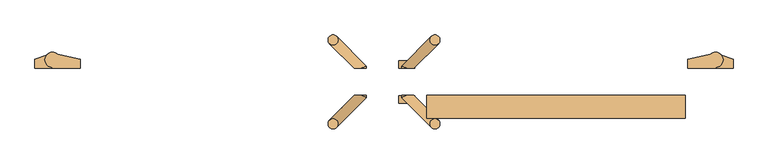
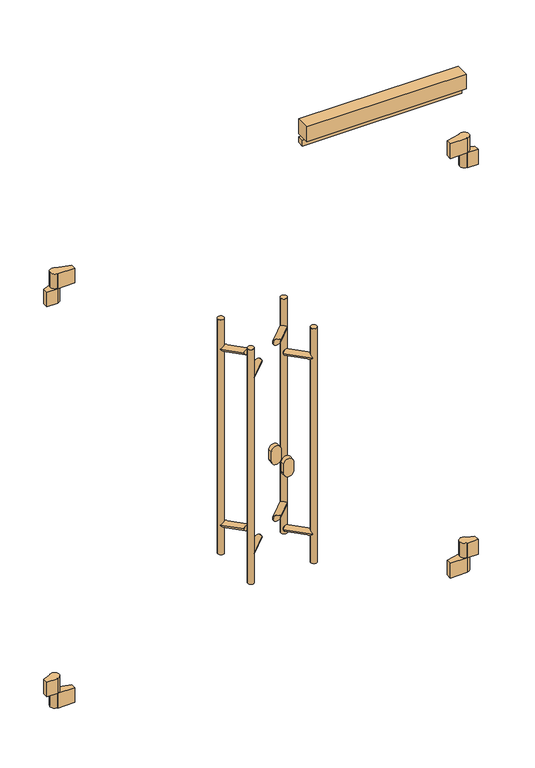
"""IFC4 building model written with IfcOpenShell, lengths in millimetres: door geometry."""

from ifc_helpers import new_model, si_unit, point, frame, frame_2d, origin, place, context, project, spatial, polyline, circle_curve, ellipse_curve, trimmed, segment, composite_curve, outline, extrude, source, transform, mapped, element, save
from ifc_brep_helpers import plane_surface, cylinder_surface, advanced_brep


def door_f901f832(model_context):
    return source(origin(), model_context, "Body", "SolidModel", [
        extrude(outline(polyline([(-614.5, -54.0), (-99.5, -54.0), (-99.5, -99.0), (-614.5, -99.0), (-614.5, -54.0)])), frame((0.0, 0.0, 2030.0), z_axis=(0.0, 0.0, 1.0), x_axis=(1.0, 0.0, 0.0)), (0.0, 0.0, 1.0), 50.0),
        extrude(outline(polyline([(-614.5, -54.0), (-99.5, -54.0), (-99.5, -74.0), (-614.5, -74.0), (-614.5, -54.0)])), frame((0.0, 0.0, 2000.0), z_axis=(0.0, 0.0, 1.0), x_axis=(1.0, 0.0, 0.0)), (0.0, 0.0, 1.0), 20.0),
        advanced_brep(
        [(-54.5, 17.0, 400.0), (-39.5, 2.0, 400.0), (-39.5, 0.0, 400.0), (-4.5, 0.0, 400.0), (-4.5, 18.0, 400.0), (-27.3866516, 25.846852, 400.0), (-94.5, 0.0, 300.0), (-94.5, 18.0, 300.0), (-50.0040029, 27.7082175, 300.0), (-24.5, 17.0, 300.0), (-39.5, 2.0, 300.0), (-39.5, 0.0, 300.0), (-24.5, 17.0, 350.0), (-39.5, 2.0, 350.0), (-54.5, 17.0, 350.0), (-39.5, 2.0, 350.0), (-50.0040029, 27.7082175, 350.0), (-27.3866516, 25.846852, 350.0), (-94.5, 0.0, 350.0), (-39.5, 0.0, 350.0), (-94.5, 18.0, 350.0), (-4.5, 18.0, 350.0), (-4.5, 0.0, 350.0)],
        [
            (0, 1, circle_curve(frame((-39.5, 17.0, 400.0), z_axis=(0.0, 0.0, 1.0), x_axis=(1.0, 0.0, 0.0)), 15.0)),
            (1, 2),
            (2, 3),
            (3, 4),
            (4, 5),
            (5, 0, circle_curve(frame((-39.5, 17.0, 400.0), z_axis=(0.0, 0.0, 1.0), x_axis=(1.0, 0.0, 0.0)), 15.0)),
            (6, 7),
            (7, 8),
            (8, 9, circle_curve(frame((-39.5, 17.0, 300.0), z_axis=(0.0, 0.0, -1.0), x_axis=(1.0, 0.0, 0.0)), 15.0)),
            (9, 10, circle_curve(frame((-39.5, 17.0, 300.0), z_axis=(0.0, 0.0, -1.0), x_axis=(1.0, 0.0, 0.0)), 15.0)),
            (10, 11),
            (11, 6),
            (9, 12),
            (12, 13, circle_curve(frame((-39.5, 17.0, 350.0), z_axis=(0.0, 0.0, -1.0), x_axis=(1.0, 0.0, 0.0)), 15.0)),
            (13, 10),
            (0, 14),
            (14, 15, circle_curve(frame((-39.5, 17.0, 350.0), z_axis=(0.0, 0.0, 1.0), x_axis=(1.0, 0.0, 0.0)), 15.0)),
            (15, 1),
            (8, 16),
            (16, 14, circle_curve(frame((-39.5, 17.0, 350.0), z_axis=(0.0, 0.0, 1.0), x_axis=(1.0, 0.0, 0.0)), 15.0)),
            (5, 17),
            (17, 12, circle_curve(frame((-39.5, 17.0, 350.0), z_axis=(0.0, 0.0, -1.0), x_axis=(1.0, 0.0, 0.0)), 15.0)),
            (18, 19),
            (19, 15),
            (16, 20),
            (20, 18),
            (18, 6),
            (11, 19),
            (13, 19),
            (7, 20),
            (21, 22),
            (22, 19),
            (17, 21),
            (19, 2),
            (22, 3),
            (21, 4),
        ],
        [
            plane_surface(frame((-24.5, 17.0, 400.0), z_axis=(0.0, 0.0, 1.0), x_axis=(0.0, 1.0, 0.0))),
            plane_surface(frame((-24.5, 17.0, 300.0), z_axis=(0.0, 0.0, -1.0), x_axis=(0.0, -1.0, 0.0))),
            cylinder_surface(frame((-39.5, 17.0, 300.0), z_axis=(0.0, 0.0, 1.0), x_axis=(1.0, 0.0, 0.0)), 15.0),
            plane_surface(frame((-39.5, 0.0, 350.0), z_axis=(0.0, 0.0, 1.0), x_axis=(1.0, 0.0, 0.0))),
            plane_surface(frame((-94.5, 0.0, 350.0), z_axis=(0.0, -1.0, 0.0), x_axis=(0.0, 0.0, -1.0))),
            plane_surface(frame((-39.5, 0.0, 350.0), z_axis=(1.0, 0.0, 0.0), x_axis=(0.0, 0.0, -1.0))),
            plane_surface(frame((-39.5, 30.0, 350.0), z_axis=(-0.2131670752167252, 0.9770157614099924, 0.0), x_axis=(0.0, 0.0, -1.0))),
            plane_surface(frame((-94.5, 18.0, 350.0), z_axis=(-1.0, 0.0, 0.0), x_axis=(0.0, 0.0, -1.0))),
            plane_surface(frame((-39.5, 0.0, 350.0), z_axis=(0.0, 0.0, -1.0), x_axis=(0.0, 1.0, 0.0))),
            plane_surface(frame((-39.5, 30.0, 400.0), z_axis=(-1.0, 0.0, 0.0), x_axis=(0.0, 0.0, -1.0))),
            plane_surface(frame((-39.5, 0.0, 400.0), z_axis=(0.0, -1.0, 0.0), x_axis=(0.0, 0.0, -1.0))),
            plane_surface(frame((-4.5, 0.0, 400.0), z_axis=(1.0, 0.0, 0.0), x_axis=(0.0, 0.0, -1.0))),
            plane_surface(frame((-4.5, 18.0, 400.0), z_axis=(0.32432432432432456, 0.9459459459459459, 0.0), x_axis=(0.0, 0.0, -1.0))),
        ],
        [
            (0, [[1, 2, 3, 4, 5, 6]]),
            (1, [[7, 8, 9, 10, 11, 12]]),
            (2, [[-10, 13, 14, 15]]),
            (2, [[16, 17, 18, -1]]),
            (2, [[-9, 19, 20, -16, -6, 21, 22, -13]]),
            (3, [[23, 24, -17, -20, 25, 26]]),
            (4, [[-23, 27, -12, 28]]),
            (5, [[-28, -11, -15, 29]]),
            (6, [[30, -25, -19, -8]]),
            (7, [[-26, -30, -7, -27]]),
            (8, [[31, 32, -29, -14, -22, 33]]),
            (9, [[34, -2, -18, -24]]),
            (10, [[-3, -34, -32, 35]]),
            (11, [[-4, -35, -31, 36]]),
            (12, [[-36, -33, -21, -5]]),
        ],
    ),
        advanced_brep(
        [(-1360.5, 2.0, 400.0), (-1345.5, 17.0, 400.0), (-1372.6133484, 25.846852, 400.0), (-1395.5, 18.0, 400.0), (-1395.5, 0.0, 400.0), (-1360.5, 0.0, 400.0), (-1305.5, 0.0, 300.0), (-1360.5, 0.0, 300.0), (-1360.5, 2.0, 300.0), (-1375.5, 17.0, 300.0), (-1349.9959971, 27.7082175, 300.0), (-1305.5, 18.0, 300.0), (-1360.5, 2.0, 350.0), (-1375.5, 17.0, 350.0), (-1345.5, 17.0, 350.0), (-1360.5, 2.0, 350.0), (-1372.6133484, 25.846852, 350.0), (-1349.9959971, 27.7082175, 350.0), (-1305.5, 0.0, 350.0), (-1305.5, 18.0, 350.0), (-1360.5, 0.0, 350.0), (-1395.5, 0.0, 350.0), (-1395.5, 18.0, 350.0)],
        [
            (0, 1, circle_curve(frame((-1360.5, 17.0, 400.0), z_axis=(0.0, 0.0, 1.0), x_axis=(1.0, 0.0, 0.0)), 15.0)),
            (1, 2, circle_curve(frame((-1360.5, 17.0, 400.0), z_axis=(0.0, 0.0, 1.0), x_axis=(1.0, 0.0, 0.0)), 15.0)),
            (2, 3),
            (3, 4),
            (4, 5),
            (5, 0),
            (6, 7),
            (7, 8),
            (8, 9, circle_curve(frame((-1360.5, 17.0, 300.0), z_axis=(0.0, 0.0, -1.0), x_axis=(1.0, 0.0, 0.0)), 15.0)),
            (9, 10, circle_curve(frame((-1360.5, 17.0, 300.0), z_axis=(0.0, 0.0, -1.0), x_axis=(1.0, 0.0, 0.0)), 15.0)),
            (10, 11),
            (11, 6),
            (8, 12),
            (12, 13, circle_curve(frame((-1360.5, 17.0, 350.0), z_axis=(0.0, 0.0, -1.0), x_axis=(1.0, 0.0, 0.0)), 15.0)),
            (13, 9),
            (14, 1),
            (0, 15),
            (15, 14, circle_curve(frame((-1360.5, 17.0, 350.0), z_axis=(0.0, 0.0, 1.0), x_axis=(1.0, 0.0, 0.0)), 15.0)),
            (13, 16, circle_curve(frame((-1360.5, 17.0, 350.0), z_axis=(0.0, 0.0, -1.0), x_axis=(1.0, 0.0, 0.0)), 15.0)),
            (16, 2),
            (14, 17, circle_curve(frame((-1360.5, 17.0, 350.0), z_axis=(0.0, 0.0, 1.0), x_axis=(1.0, 0.0, 0.0)), 15.0)),
            (17, 10),
            (18, 19),
            (19, 17),
            (15, 20),
            (20, 18),
            (18, 6),
            (11, 19),
            (7, 20),
            (20, 12),
            (21, 22),
            (22, 16),
            (20, 21),
            (4, 21),
            (20, 5),
            (22, 3),
        ],
        [
            plane_surface(frame((-24.5, 17.0, 400.0), z_axis=(0.0, 0.0, 1.0), x_axis=(0.0, 1.0, 0.0))),
            plane_surface(frame((-24.5, 17.0, 300.0), z_axis=(0.0, 0.0, -1.0), x_axis=(0.0, -1.0, 0.0))),
            cylinder_surface(frame((-1360.5, 17.0, 0.0), z_axis=(0.0, 0.0, 1.0), x_axis=(1.0, 0.0, 0.0)), 15.0),
            plane_surface(frame((-39.5, 0.0, 350.0), z_axis=(0.0, 0.0, 1.0), x_axis=(1.0, 0.0, 0.0))),
            plane_surface(frame((-1305.5, 0.0, 350.0), z_axis=(1.0, 0.0, 0.0), x_axis=(0.0, 0.0, -1.0))),
            plane_surface(frame((-1305.5, 18.0, 350.0), z_axis=(0.2131670752167247, 0.9770157614099925, 0.0), x_axis=(0.0, 0.0, -1.0))),
            plane_surface(frame((-1360.5, 30.0, 350.0), z_axis=(-1.0, 0.0, 0.0), x_axis=(0.0, 0.0, -1.0))),
            plane_surface(frame((-1360.5, 0.0, 350.0), z_axis=(0.0, -1.0, 0.0), x_axis=(0.0, 0.0, -1.0))),
            plane_surface(frame((-39.5, 0.0, 350.0), z_axis=(0.0, 0.0, -1.0), x_axis=(0.0, 1.0, 0.0))),
            plane_surface(frame((-1395.5, 0.0, 400.0), z_axis=(0.0, -1.0, 0.0), x_axis=(0.0, 0.0, -1.0))),
            plane_surface(frame((-1360.5, 0.0, 400.0), z_axis=(1.0, 0.0, 0.0), x_axis=(0.0, 0.0, -1.0))),
            plane_surface(frame((-1360.5, 30.0, 400.0), z_axis=(-0.3243243243243253, 0.9459459459459457, 0.0), x_axis=(0.0, 0.0, -1.0))),
            plane_surface(frame((-1395.5, 18.0, 400.0), z_axis=(-1.0, 0.0, 0.0), x_axis=(0.0, 0.0, -1.0))),
        ],
        [
            (0, [[1, 2, 3, 4, 5, 6]]),
            (1, [[7, 8, 9, 10, 11, 12]]),
            (2, [[-9, 13, 14, 15]]),
            (2, [[16, -1, 17, 18]]),
            (2, [[-10, -15, 19, 20, -2, -16, 21, 22]]),
            (3, [[23, 24, -21, -18, 25, 26]]),
            (4, [[-23, 27, -12, 28]]),
            (5, [[-28, -11, -22, -24]]),
            (6, [[29, 30, -13, -8]]),
            (7, [[-26, -29, -7, -27]]),
            (8, [[31, 32, -19, -14, -30, 33]]),
            (9, [[-5, 34, -33, 35]]),
            (10, [[-35, -25, -17, -6]]),
            (11, [[36, -3, -20, -32]]),
            (12, [[-4, -36, -31, -34]]),
        ],
    ),
        advanced_brep(
        [(-94.5, 0.0, 1780.0), (-39.5, 0.0, 1780.0), (-39.5, 2.0, 1780.0), (-24.5, 17.0, 1780.0), (-50.0040029, 27.7082175, 1780.0), (-94.5, 18.0, 1780.0), (-54.5, 17.0, 1680.0), (-27.3866516, 25.846852, 1680.0), (-4.5, 18.0, 1680.0), (-4.5, 0.0, 1680.0), (-39.5, 0.0, 1680.0), (-39.5, 2.0, 1680.0), (-39.5, 2.0, 1730.0), (-24.5, 17.0, 1730.0), (-54.5, 17.0, 1730.0), (-39.5, 2.0, 1730.0), (-27.3866516, 25.846852, 1730.0), (-50.0040029, 27.7082175, 1730.0), (-94.5, 0.0, 1730.0), (-94.5, 18.0, 1730.0), (-39.5, 0.0, 1730.0), (-4.5, 0.0, 1730.0), (-4.5, 18.0, 1730.0)],
        [
            (0, 1),
            (1, 2),
            (2, 3, circle_curve(frame((-39.5, 17.0, 1780.0), z_axis=(0.0, 0.0, 1.0), x_axis=(1.0, 0.0, 0.0)), 15.0)),
            (3, 4, circle_curve(frame((-39.5, 17.0, 1780.0), z_axis=(0.0, 0.0, 1.0), x_axis=(1.0, 0.0, 0.0)), 15.0)),
            (4, 5),
            (5, 0),
            (6, 7, circle_curve(frame((-39.5, 17.0, 1680.0), z_axis=(0.0, 0.0, -1.0), x_axis=(1.0, 0.0, 0.0)), 15.0)),
            (7, 8),
            (8, 9),
            (9, 10),
            (10, 11),
            (11, 6, circle_curve(frame((-39.5, 17.0, 1680.0), z_axis=(0.0, 0.0, -1.0), x_axis=(1.0, 0.0, 0.0)), 15.0)),
            (2, 12),
            (12, 13, circle_curve(frame((-39.5, 17.0, 1730.0), z_axis=(0.0, 0.0, 1.0), x_axis=(1.0, 0.0, 0.0)), 15.0)),
            (13, 3),
            (14, 6),
            (11, 15),
            (15, 14, circle_curve(frame((-39.5, 17.0, 1730.0), z_axis=(0.0, 0.0, -1.0), x_axis=(1.0, 0.0, 0.0)), 15.0)),
            (13, 16, circle_curve(frame((-39.5, 17.0, 1730.0), z_axis=(0.0, 0.0, 1.0), x_axis=(1.0, 0.0, 0.0)), 15.0)),
            (16, 7),
            (14, 17, circle_curve(frame((-39.5, 17.0, 1730.0), z_axis=(0.0, 0.0, -1.0), x_axis=(1.0, 0.0, 0.0)), 15.0)),
            (17, 4),
            (18, 19),
            (19, 17),
            (15, 20),
            (20, 18),
            (20, 1),
            (0, 18),
            (20, 12),
            (19, 5),
            (20, 21),
            (21, 22),
            (22, 16),
            (10, 20),
            (9, 21),
            (8, 22),
        ],
        [
            plane_surface(frame((-24.5, 17.0, 1780.0), z_axis=(0.0, 0.0, 1.0), x_axis=(0.0, 1.0, 0.0))),
            plane_surface(frame((-24.5, 17.0, 1680.0), z_axis=(0.0, 0.0, -1.0), x_axis=(0.0, -1.0, 0.0))),
            cylinder_surface(frame((-39.5, 17.0, 1680.0), z_axis=(0.0, 0.0, 1.0), x_axis=(1.0, 0.0, 0.0)), 15.0),
            plane_surface(frame((-39.5, 0.0, 1730.0), z_axis=(0.0, 0.0, -1.0), x_axis=(-1.0, 0.0, 0.0))),
            plane_surface(frame((-94.5, 0.0, 1780.0), z_axis=(0.0, -1.0, 0.0), x_axis=(0.0, 0.0, -1.0))),
            plane_surface(frame((-39.5, 0.0, 1780.0), z_axis=(1.0, 0.0, 0.0), x_axis=(0.0, 0.0, -1.0))),
            plane_surface(frame((-39.5, 30.0, 1780.0), z_axis=(-0.2131670752167252, 0.9770157614099924, 0.0), x_axis=(0.0, 0.0, -1.0))),
            plane_surface(frame((-94.5, 18.0, 1780.0), z_axis=(-1.0, 0.0, 0.0), x_axis=(0.0, 0.0, -1.0))),
            plane_surface(frame((-39.5, 0.0, 1730.0), z_axis=(0.0, 0.0, 1.0), x_axis=(0.0, -1.0, 0.0))),
            plane_surface(frame((-39.5, 30.0, 1730.0), z_axis=(-1.0, 0.0, 0.0), x_axis=(0.0, 0.0, -1.0))),
            plane_surface(frame((-39.5, 0.0, 1730.0), z_axis=(0.0, -1.0, 0.0), x_axis=(0.0, 0.0, -1.0))),
            plane_surface(frame((-4.5, 0.0, 1730.0), z_axis=(1.0, 0.0, 0.0), x_axis=(0.0, 0.0, -1.0))),
            plane_surface(frame((-4.5, 18.0, 1730.0), z_axis=(0.3243243243243246, 0.9459459459459459, 0.0), x_axis=(0.0, 0.0, -1.0))),
        ],
        [
            (0, [[1, 2, 3, 4, 5, 6]]),
            (1, [[7, 8, 9, 10, 11, 12]]),
            (2, [[-3, 13, 14, 15]]),
            (2, [[16, -12, 17, 18]]),
            (2, [[-4, -15, 19, 20, -7, -16, 21, 22]]),
            (3, [[23, 24, -21, -18, 25, 26]]),
            (4, [[-26, 27, -1, 28]]),
            (5, [[-27, 29, -13, -2]]),
            (6, [[30, -5, -22, -24]]),
            (7, [[-23, -28, -6, -30]]),
            (8, [[31, 32, 33, -19, -14, -29]]),
            (9, [[34, -25, -17, -11]]),
            (10, [[-10, 35, -31, -34]]),
            (11, [[-9, 36, -32, -35]]),
            (12, [[-36, -8, -20, -33]]),
        ],
    ),
        advanced_brep(
        [(-1305.5, 0.0, 1780.0), (-1305.5, 18.0, 1780.0), (-1349.9959971, 27.7082175, 1780.0), (-1375.5, 17.0, 1780.0), (-1360.5, 2.0, 1780.0), (-1360.5, 0.0, 1780.0), (-1372.6133484, 25.846852, 1680.0), (-1345.5, 17.0, 1680.0), (-1360.5, 2.0, 1680.0), (-1360.5, 0.0, 1680.0), (-1395.5, 0.0, 1680.0), (-1395.5, 18.0, 1680.0), (-1375.5, 17.0, 1730.0), (-1360.5, 2.0, 1730.0), (-1345.5, 17.0, 1730.0), (-1360.5, 2.0, 1730.0), (-1349.9959971, 27.7082175, 1730.0), (-1372.6133484, 25.846852, 1730.0), (-1305.5, 0.0, 1730.0), (-1360.5, 0.0, 1730.0), (-1305.5, 18.0, 1730.0), (-1395.5, 0.0, 1730.0), (-1395.5, 18.0, 1730.0)],
        [
            (0, 1),
            (1, 2),
            (2, 3, circle_curve(frame((-1360.5, 17.0, 1780.0), z_axis=(0.0, 0.0, 1.0), x_axis=(1.0, 0.0, 0.0)), 15.0)),
            (3, 4, circle_curve(frame((-1360.5, 17.0, 1780.0), z_axis=(0.0, 0.0, 1.0), x_axis=(1.0, 0.0, 0.0)), 15.0)),
            (4, 5),
            (5, 0),
            (6, 7, circle_curve(frame((-1360.5, 17.0, 1680.0), z_axis=(0.0, 0.0, -1.0), x_axis=(1.0, 0.0, 0.0)), 15.0)),
            (7, 8, circle_curve(frame((-1360.5, 17.0, 1680.0), z_axis=(0.0, 0.0, -1.0), x_axis=(1.0, 0.0, 0.0)), 15.0)),
            (8, 9),
            (9, 10),
            (10, 11),
            (11, 6),
            (3, 12),
            (12, 13, circle_curve(frame((-1360.5, 17.0, 1730.0), z_axis=(0.0, 0.0, 1.0), x_axis=(1.0, 0.0, 0.0)), 15.0)),
            (13, 4),
            (7, 14),
            (14, 15, circle_curve(frame((-1360.5, 17.0, 1730.0), z_axis=(0.0, 0.0, -1.0), x_axis=(1.0, 0.0, 0.0)), 15.0)),
            (15, 8),
            (2, 16),
            (16, 14, circle_curve(frame((-1360.5, 17.0, 1730.0), z_axis=(0.0, 0.0, -1.0), x_axis=(1.0, 0.0, 0.0)), 15.0)),
            (6, 17),
            (17, 12, circle_curve(frame((-1360.5, 17.0, 1730.0), z_axis=(0.0, 0.0, 1.0), x_axis=(1.0, 0.0, 0.0)), 15.0)),
            (18, 19),
            (19, 15),
            (16, 20),
            (20, 18),
            (20, 1),
            (0, 18),
            (19, 5),
            (13, 19),
            (21, 19),
            (17, 22),
            (22, 21),
            (9, 19),
            (21, 10),
            (11, 22),
        ],
        [
            plane_surface(frame((-24.5, 17.0, 1780.0), z_axis=(0.0, 0.0, 1.0), x_axis=(0.0, 1.0, 0.0))),
            plane_surface(frame((-24.5, 17.0, 1680.0), z_axis=(0.0, 0.0, -1.0), x_axis=(0.0, -1.0, 0.0))),
            cylinder_surface(frame((-1360.5, 17.0, 0.0), z_axis=(0.0, 0.0, 1.0), x_axis=(1.0, 0.0, 0.0)), 15.0),
            plane_surface(frame((-39.5, 0.0, 1730.0), z_axis=(0.0, 0.0, -1.0), x_axis=(-1.0, 0.0, 0.0))),
            plane_surface(frame((-1305.5, 0.0, 1780.0), z_axis=(1.0, 0.0, 0.0), x_axis=(0.0, 0.0, -1.0))),
            plane_surface(frame((-1305.5, 18.0, 1780.0), z_axis=(0.21316707521672376, 0.9770157614099927, 0.0), x_axis=(0.0, 0.0, -1.0))),
            plane_surface(frame((-1360.5, 30.0, 1780.0), z_axis=(-1.0, 0.0, 0.0), x_axis=(0.0, 0.0, -1.0))),
            plane_surface(frame((-1360.5, 0.0, 1780.0), z_axis=(0.0, -1.0, 0.0), x_axis=(0.0, 0.0, -1.0))),
            plane_surface(frame((-39.5, 0.0, 1730.0), z_axis=(0.0, 0.0, 1.0), x_axis=(0.0, -1.0, 0.0))),
            plane_surface(frame((-1395.5, 0.0, 1730.0), z_axis=(0.0, -1.0, 0.0), x_axis=(0.0, 0.0, -1.0))),
            plane_surface(frame((-1360.5, 0.0, 1730.0), z_axis=(1.0, 0.0, 0.0), x_axis=(0.0, 0.0, -1.0))),
            plane_surface(frame((-1360.5, 30.0, 1730.0), z_axis=(-0.32432432432432734, 0.9459459459459449, 0.0), x_axis=(0.0, 0.0, -1.0))),
            plane_surface(frame((-1395.5, 18.0, 1730.0), z_axis=(-1.0, 0.0, 0.0), x_axis=(0.0, 0.0, -1.0))),
        ],
        [
            (0, [[1, 2, 3, 4, 5, 6]]),
            (1, [[7, 8, 9, 10, 11, 12]]),
            (2, [[-4, 13, 14, 15]]),
            (2, [[16, 17, 18, -8]]),
            (2, [[-3, 19, 20, -16, -7, 21, 22, -13]]),
            (3, [[23, 24, -17, -20, 25, 26]]),
            (4, [[-26, 27, -1, 28]]),
            (5, [[-27, -25, -19, -2]]),
            (6, [[29, -5, -15, 30]]),
            (7, [[-23, -28, -6, -29]]),
            (8, [[31, -30, -14, -22, 32, 33]]),
            (9, [[-10, 34, -31, 35]]),
            (10, [[-34, -9, -18, -24]]),
            (11, [[36, -32, -21, -12]]),
            (12, [[-11, -35, -33, -36]]),
        ],
    ),
        advanced_brep(
        [(-608.4314575, 56.5685425, 1400.0), (-588.4314575, 56.5685425, 1400.0), (-608.4314575, 56.5685425, 600.0), (-588.4314575, 56.5685425, 600.0), (-655.0, 0.0, 710.0), (-665.0, 0.0, 700.0), (-655.0, 0.0, 690.0), (-640.8578644, 0.0, 700.0), (-655.0, 0.0, 1310.0), (-665.0, 0.0, 1300.0), (-655.0, 0.0, 1290.0), (-640.8578644, 0.0, 1300.0), (-665.0, 4.1421356, 700.0), (-665.0, 4.1421356, 1300.0), (-605.5025253, 63.6396103, 700.0), (-591.3603897, 49.4974747, 700.0), (-608.4314575, 56.5685425, 707.0710678), (-608.4314575, 56.5685425, 692.9289322), (-605.5025253, 63.6396103, 1300.0), (-591.3603897, 49.4974747, 1300.0), (-608.4314575, 56.5685425, 1307.0710678), (-608.4314575, 56.5685425, 1292.9289322)],
        [
            (0, 1, circle_curve(frame((-598.4314575, 56.5685425, 1400.0), z_axis=(0.0, 0.0, 1.0), x_axis=(1.0, 0.0, 0.0)), 10.0)),
            (1, 0, circle_curve(frame((-598.4314575, 56.5685425, 1400.0), z_axis=(0.0, 0.0, 1.0), x_axis=(1.0, 0.0, 0.0)), 10.0)),
            (2, 3, circle_curve(frame((-598.4314575, 56.5685425, 600.0), z_axis=(0.0, 0.0, -1.0), x_axis=(1.0, 0.0, 0.0)), 10.0)),
            (3, 2, circle_curve(frame((-598.4314575, 56.5685425, 600.0), z_axis=(0.0, 0.0, -1.0), x_axis=(1.0, 0.0, 0.0)), 10.0)),
            (4, 5, circle_curve(frame((-655.0, 0.0, 700.0), z_axis=(0.0, -1.0, 0.0), x_axis=(-1.0, 0.0, 0.0)), 10.0)),
            (5, 6, circle_curve(frame((-655.0, 0.0, 700.0), z_axis=(0.0, -1.0, 0.0), x_axis=(-1.0, 0.0, 0.0)), 10.0)),
            (6, 7, ellipse_curve(frame((-655.0, 0.0, 700.0), z_axis=(0.0, -1.0, 0.0), x_axis=(-1.0, 0.0, 0.0)), 14.1421356, 10.0)),
            (7, 4, ellipse_curve(frame((-655.0, 0.0, 700.0), z_axis=(0.0, -1.0, 0.0), x_axis=(-1.0, 0.0, 0.0)), 14.1421356, 10.0)),
            (8, 9, circle_curve(frame((-655.0, 0.0, 1300.0), z_axis=(0.0, -1.0, 0.0), x_axis=(-1.0, 0.0, 0.0)), 10.0)),
            (9, 10, circle_curve(frame((-655.0, 0.0, 1300.0), z_axis=(0.0, -1.0, 0.0), x_axis=(-1.0, 0.0, 0.0)), 10.0)),
            (10, 11, ellipse_curve(frame((-655.0, 0.0, 1300.0), z_axis=(0.0, -1.0, 0.0), x_axis=(-1.0, 0.0, 0.0)), 14.1421356, 10.0)),
            (11, 8, ellipse_curve(frame((-655.0, 0.0, 1300.0), z_axis=(0.0, -1.0, 0.0), x_axis=(-1.0, 0.0, 0.0)), 14.1421356, 10.0)),
            (4, 12, ellipse_curve(frame((-655.0, 0.0, 700.0), z_axis=(-0.3826834323651389, -0.9238795325112662, 0.0), x_axis=(0.923879532511266, -0.3826834323651399, 0.0)), 10.823922, 10.0)),
            (12, 5),
            (12, 6, ellipse_curve(frame((-655.0, 0.0, 700.0), z_axis=(-0.3826834323651389, -0.9238795325112662, 0.0), x_axis=(0.923879532511266, -0.3826834323651399, 0.0)), 10.823922, 10.0)),
            (8, 13, ellipse_curve(frame((-655.0, 0.0, 1300.0), z_axis=(-0.3826834323651389, -0.9238795325112662, 0.0), x_axis=(0.923879532511266, -0.3826834323651399, 0.0)), 10.823922, 10.0)),
            (13, 9),
            (13, 10, ellipse_curve(frame((-655.0, 0.0, 1300.0), z_axis=(-0.3826834323651389, -0.9238795325112662, 0.0), x_axis=(0.923879532511266, -0.3826834323651399, 0.0)), 10.823922, 10.0)),
            (14, 12),
            (7, 15),
            (15, 16, ellipse_curve(frame((-598.4314575, 56.5685425, 700.0), z_axis=(-0.5000000000000511, -0.49999999999994676, -0.707106781186549), x_axis=(-0.5000000000000553, -0.4999999999999467, 0.707106781186546)), 14.1421356, 10.0)),
            (16, 14, ellipse_curve(frame((-598.4314575, 56.5685425, 700.0), z_axis=(-0.5000000000000511, -0.49999999999994676, -0.707106781186549), x_axis=(-0.5000000000000553, -0.4999999999999467, 0.707106781186546)), 14.1421356, 10.0)),
            (14, 17, ellipse_curve(frame((-598.4314575, 56.5685425, 700.0), z_axis=(-0.5000000000000554, -0.49999999999994676, 0.7071067811865459), x_axis=(-0.5000000000000511, -0.49999999999994676, -0.707106781186549)), 14.1421356, 10.0)),
            (17, 15, ellipse_curve(frame((-598.4314575, 56.5685425, 700.0), z_axis=(-0.5000000000000554, -0.49999999999994676, 0.7071067811865459), x_axis=(-0.5000000000000511, -0.49999999999994676, -0.707106781186549)), 14.1421356, 10.0)),
            (18, 13),
            (11, 19),
            (19, 20, ellipse_curve(frame((-598.4314575, 56.5685425, 1300.0), z_axis=(-0.5000000000000511, -0.49999999999994676, -0.707106781186549), x_axis=(-0.5000000000000553, -0.4999999999999467, 0.707106781186546)), 14.1421356, 10.0)),
            (20, 18, ellipse_curve(frame((-598.4314575, 56.5685425, 1300.0), z_axis=(-0.5000000000000511, -0.49999999999994676, -0.707106781186549), x_axis=(-0.5000000000000553, -0.4999999999999467, 0.707106781186546)), 14.1421356, 10.0)),
            (18, 21, ellipse_curve(frame((-598.4314575, 56.5685425, 1300.0), z_axis=(-0.5000000000000554, -0.49999999999994676, 0.7071067811865459), x_axis=(-0.5000000000000511, -0.49999999999994676, -0.707106781186549)), 14.1421356, 10.0)),
            (21, 19, ellipse_curve(frame((-598.4314575, 56.5685425, 1300.0), z_axis=(-0.5000000000000554, -0.49999999999994676, 0.7071067811865459), x_axis=(-0.5000000000000511, -0.49999999999994676, -0.707106781186549)), 14.1421356, 10.0)),
            (0, 20),
            (21, 16),
            (17, 2),
            (3, 1),
        ],
        [
            plane_surface(frame((-588.4314575, 56.5685425, 1400.0), z_axis=(0.0, 0.0, 1.0), x_axis=(0.0, 1.0, 0.0))),
            plane_surface(frame((-588.4314575, 56.5685425, 600.0), z_axis=(0.0, 0.0, -1.0), x_axis=(0.0, -1.0, 0.0))),
            plane_surface(frame((-795.0, 0.0, 600.0), z_axis=(0.0, -1.0, 0.0), x_axis=(0.0, 0.0, 1.0))),
            cylinder_surface(frame((-655.0, -54.0, 700.0), z_axis=(0.0, -1.0, 0.0), x_axis=(-1.0, 0.0, 0.0)), 10.0),
            cylinder_surface(frame((-655.0, -54.0, 1300.0), z_axis=(0.0, -1.0, 0.0), x_axis=(-1.0, 0.0, 0.0)), 10.0),
            cylinder_surface(frame((-655.0, 0.0, 700.0), z_axis=(-0.7071067811866228, -0.7071067811864723, 0.0), x_axis=(-0.7071067811864723, 0.7071067811866228, 0.0)), 10.0),
            cylinder_surface(frame((-655.0, 0.0, 1300.0), z_axis=(-0.7071067811866228, -0.7071067811864723, 0.0), x_axis=(-0.7071067811864723, 0.7071067811866228, 0.0)), 10.0),
            cylinder_surface(frame((-598.4314575, 56.5685425, 600.0), z_axis=(0.0, 0.0, 1.0), x_axis=(1.0, 0.0, 0.0)), 10.0),
        ],
        [
            (0, [[1, 2]]),
            (1, [[3, 4]]),
            (2, [[5, 6, 7, 8]]),
            (2, [[9, 10, 11, 12]]),
            (3, [[13, 14, -5]]),
            (3, [[-14, 15, -6]]),
            (4, [[16, 17, -9]]),
            (4, [[-17, 18, -10]]),
            (5, [[19, -13, -8, 20, 21, 22]]),
            (5, [[-19, 23, 24, -20, -7, -15]]),
            (6, [[25, -16, -12, 26, 27, 28]]),
            (6, [[-25, 29, 30, -26, -11, -18]]),
            (7, [[-1, 31, -27, -30, 32, -21, -24, 33, -4, 34]]),
            (7, [[-2, -34, -3, -33, -23, -22, -32, -29, -28, -31]]),
        ],
    ),
        advanced_brep(
        [(-608.4314575, -110.5685425, 1400.0), (-588.4314575, -110.5685425, 1400.0), (-608.4314575, -110.5685425, 600.0), (-588.4314575, -110.5685425, 600.0), (-655.0, -54.0, 710.0), (-640.8578644, -54.0, 700.0), (-655.0, -54.0, 690.0), (-665.0, -54.0, 700.0), (-655.0, -54.0, 1310.0), (-640.8578644, -54.0, 1300.0), (-655.0, -54.0, 1290.0), (-665.0, -54.0, 1300.0), (-665.0, -58.1421356, 700.0), (-605.5025253, -117.6396103, 700.0), (-608.4314575, -110.5685425, 707.0710678), (-591.3603897, -103.4974747, 700.0), (-608.4314575, -110.5685425, 692.9289322), (-665.0, -58.1421356, 1300.0), (-605.5025253, -117.6396103, 1300.0), (-608.4314575, -110.5685425, 1307.0710678), (-591.3603897, -103.4974747, 1300.0), (-608.4314575, -110.5685425, 1292.9289322)],
        [
            (0, 1, circle_curve(frame((-598.4314575, -110.5685425, 1400.0), z_axis=(0.0, 0.0, 1.0), x_axis=(1.0, 0.0, 0.0)), 10.0)),
            (1, 0, circle_curve(frame((-598.4314575, -110.5685425, 1400.0), z_axis=(0.0, 0.0, 1.0), x_axis=(1.0, 0.0, 0.0)), 10.0)),
            (2, 3, circle_curve(frame((-598.4314575, -110.5685425, 600.0), z_axis=(0.0, 0.0, -1.0), x_axis=(1.0, 0.0, 0.0)), 10.0)),
            (3, 2, circle_curve(frame((-598.4314575, -110.5685425, 600.0), z_axis=(0.0, 0.0, -1.0), x_axis=(1.0, 0.0, 0.0)), 10.0)),
            (4, 5, ellipse_curve(frame((-655.0, -54.0, 700.0), z_axis=(0.0, 1.0, 0.0), x_axis=(1.0, 0.0, 0.0)), 14.1421356, 10.0)),
            (5, 6, ellipse_curve(frame((-655.0, -54.0, 700.0), z_axis=(0.0, 1.0, 0.0), x_axis=(1.0, 0.0, 0.0)), 14.1421356, 10.0)),
            (6, 7, circle_curve(frame((-655.0, -54.0, 700.0), z_axis=(0.0, 1.0, 0.0), x_axis=(-1.0, 0.0, 0.0)), 10.0)),
            (7, 4, circle_curve(frame((-655.0, -54.0, 700.0), z_axis=(0.0, 1.0, 0.0), x_axis=(-1.0, 0.0, 0.0)), 10.0)),
            (8, 9, ellipse_curve(frame((-655.0, -54.0, 1300.0), z_axis=(0.0, 1.0, 0.0), x_axis=(1.0, 0.0, 0.0)), 14.1421356, 10.0)),
            (9, 10, ellipse_curve(frame((-655.0, -54.0, 1300.0), z_axis=(0.0, 1.0, 0.0), x_axis=(1.0, 0.0, 0.0)), 14.1421356, 10.0)),
            (10, 11, circle_curve(frame((-655.0, -54.0, 1300.0), z_axis=(0.0, 1.0, 0.0), x_axis=(-1.0, 0.0, 0.0)), 10.0)),
            (11, 8, circle_curve(frame((-655.0, -54.0, 1300.0), z_axis=(0.0, 1.0, 0.0), x_axis=(-1.0, 0.0, 0.0)), 10.0)),
            (12, 13),
            (13, 14, ellipse_curve(frame((-598.4314575, -110.5685425, 700.0), z_axis=(-0.5000000000000075, 0.4999999999999909, -0.7071067811865487), x_axis=(0.5000000000000113, -0.49999999999999023, -0.7071067811865465)), 14.1421356, 10.0)),
            (14, 15, ellipse_curve(frame((-598.4314575, -110.5685425, 700.0), z_axis=(-0.5000000000000075, 0.4999999999999909, -0.7071067811865487), x_axis=(0.5000000000000113, -0.49999999999999023, -0.7071067811865465)), 14.1421356, 10.0)),
            (15, 5),
            (4, 12, ellipse_curve(frame((-655.0, -54.0, 700.0), z_axis=(0.38268343236509844, -0.9238795325112832, 0.0), x_axis=(0.9238795325112831, 0.38268343236509844, 0.0)), 10.823922, 10.0)),
            (12, 6, ellipse_curve(frame((-655.0, -54.0, 700.0), z_axis=(0.38268343236509844, -0.9238795325112832, 0.0), x_axis=(0.9238795325112831, 0.38268343236509844, 0.0)), 10.823922, 10.0)),
            (15, 16, ellipse_curve(frame((-598.4314575, -110.5685425, 700.0), z_axis=(-0.5000000000000113, 0.49999999999999034, 0.7071067811865464), x_axis=(0.5000000000000074, -0.49999999999999073, 0.7071067811865487)), 14.1421356, 10.0)),
            (16, 13, ellipse_curve(frame((-598.4314575, -110.5685425, 700.0), z_axis=(-0.5000000000000113, 0.49999999999999034, 0.7071067811865464), x_axis=(0.5000000000000074, -0.49999999999999073, 0.7071067811865487)), 14.1421356, 10.0)),
            (17, 18),
            (18, 19, ellipse_curve(frame((-598.4314575, -110.5685425, 1300.0), z_axis=(-0.5000000000000075, 0.4999999999999909, -0.7071067811865487), x_axis=(0.5000000000000113, -0.49999999999999023, -0.7071067811865465)), 14.1421356, 10.0)),
            (19, 20, ellipse_curve(frame((-598.4314575, -110.5685425, 1300.0), z_axis=(-0.5000000000000075, 0.4999999999999909, -0.7071067811865487), x_axis=(0.5000000000000113, -0.49999999999999023, -0.7071067811865465)), 14.1421356, 10.0)),
            (20, 9),
            (8, 17, ellipse_curve(frame((-655.0, -54.0, 1300.0), z_axis=(0.38268343236509844, -0.9238795325112832, 0.0), x_axis=(0.9238795325112831, 0.38268343236509844, 0.0)), 10.823922, 10.0)),
            (17, 10, ellipse_curve(frame((-655.0, -54.0, 1300.0), z_axis=(0.38268343236509844, -0.9238795325112832, 0.0), x_axis=(0.9238795325112831, 0.38268343236509844, 0.0)), 10.823922, 10.0)),
            (20, 21, ellipse_curve(frame((-598.4314575, -110.5685425, 1300.0), z_axis=(-0.5000000000000113, 0.49999999999999034, 0.7071067811865464), x_axis=(0.5000000000000074, -0.49999999999999073, 0.7071067811865487)), 14.1421356, 10.0)),
            (21, 18, ellipse_curve(frame((-598.4314575, -110.5685425, 1300.0), z_axis=(-0.5000000000000113, 0.49999999999999034, 0.7071067811865464), x_axis=(0.5000000000000074, -0.49999999999999073, 0.7071067811865487)), 14.1421356, 10.0)),
            (7, 12),
            (11, 17),
            (0, 19),
            (21, 14),
            (16, 2),
            (3, 1),
        ],
        [
            plane_surface(frame((-588.4314575, 56.5685425, 1400.0), z_axis=(0.0, 0.0, 1.0), x_axis=(0.0, 1.0, 0.0))),
            plane_surface(frame((-588.4314575, 56.5685425, 600.0), z_axis=(0.0, 0.0, -1.0), x_axis=(0.0, -1.0, 0.0))),
            plane_surface(frame((-605.0, -54.0, 600.0), z_axis=(0.0, 1.0, 0.0), x_axis=(0.0, 0.0, 1.0))),
            cylinder_surface(frame((-598.4314575, -110.5685425, 700.0), z_axis=(0.7071067811865609, -0.7071067811865343, 0.0), x_axis=(-0.7071067811865343, -0.7071067811865609, 0.0)), 10.0),
            cylinder_surface(frame((-598.4314575, -110.5685425, 1300.0), z_axis=(0.7071067811865609, -0.7071067811865343, 0.0), x_axis=(-0.7071067811865343, -0.7071067811865609, 0.0)), 10.0),
            cylinder_surface(frame((-655.0, -54.0, 700.0), z_axis=(0.0, -1.0, 0.0), x_axis=(-1.0, 0.0, 0.0)), 10.0),
            cylinder_surface(frame((-655.0, -54.0, 1300.0), z_axis=(0.0, -1.0, 0.0), x_axis=(-1.0, 0.0, 0.0)), 10.0),
            cylinder_surface(frame((-598.4314575, -110.5685425, 1000.0), z_axis=(0.0, 0.0, 1.0), x_axis=(1.0, 0.0, 0.0)), 10.0),
        ],
        [
            (0, [[1, 2]]),
            (1, [[3, 4]]),
            (2, [[5, 6, 7, 8]]),
            (2, [[9, 10, 11, 12]]),
            (3, [[13, 14, 15, 16, -5, 17]]),
            (3, [[-13, 18, -6, -16, 19, 20]]),
            (4, [[21, 22, 23, 24, -9, 25]]),
            (4, [[-21, 26, -10, -24, 27, 28]]),
            (5, [[-17, -8, 29]]),
            (5, [[-18, -29, -7]]),
            (6, [[-25, -12, 30]]),
            (6, [[-26, -30, -11]]),
            (7, [[-1, 31, -22, -28, 32, -14, -20, 33, -4, 34]]),
            (7, [[-2, -34, -3, -33, -19, -15, -32, -27, -23, -31]]),
        ],
    ),
        advanced_brep(
        [(-811.5685425, 56.5685425, 1400.0), (-791.5685425, 56.5685425, 1400.0), (-811.5685425, 56.5685425, 600.0), (-791.5685425, 56.5685425, 600.0), (-745.0, 0.0, 690.0), (-735.0, 0.0, 700.0), (-745.0, 0.0, 710.0), (-759.1421356, 0.0, 700.0), (-745.0, 0.0, 1290.0), (-735.0, 0.0, 1300.0), (-745.0, 0.0, 1310.0), (-759.1421356, 0.0, 1300.0), (-791.5685425, 56.5685425, 692.9289322), (-808.6396103, 49.4974747, 700.0), (-791.5685425, 56.5685425, 707.0710678), (-791.5685425, 56.5685425, 1292.9289322), (-808.6396103, 49.4974747, 1300.0), (-791.5685425, 56.5685425, 1307.0710678), (-794.4974747, 63.6396103, 1300.0), (-794.4974747, 63.6396103, 700.0), (-735.0, 4.1421356, 700.0), (-735.0, 4.1421356, 1300.0)],
        [
            (0, 1, circle_curve(frame((-801.5685425, 56.5685425, 1400.0), z_axis=(0.0, 0.0, 1.0), x_axis=(1.0, 0.0, 0.0)), 10.0)),
            (1, 0, circle_curve(frame((-801.5685425, 56.5685425, 1400.0), z_axis=(0.0, 0.0, 1.0), x_axis=(1.0, 0.0, 0.0)), 10.0)),
            (2, 3, circle_curve(frame((-801.5685425, 56.5685425, 600.0), z_axis=(0.0, 0.0, -1.0), x_axis=(1.0, 0.0, 0.0)), 10.0)),
            (3, 2, circle_curve(frame((-801.5685425, 56.5685425, 600.0), z_axis=(0.0, 0.0, -1.0), x_axis=(1.0, 0.0, 0.0)), 10.0)),
            (4, 5, circle_curve(frame((-745.0, 0.0, 700.0), z_axis=(0.0, -1.0, 0.0), x_axis=(-1.0, 0.0, 0.0)), 10.0)),
            (5, 6, circle_curve(frame((-745.0, 0.0, 700.0), z_axis=(0.0, -1.0, 0.0), x_axis=(-1.0, 0.0, 0.0)), 10.0)),
            (6, 7, ellipse_curve(frame((-745.0, 0.0, 700.0), z_axis=(0.0, -1.0, 0.0), x_axis=(1.0, 0.0, 0.0)), 14.1421356, 10.0)),
            (7, 4, ellipse_curve(frame((-745.0, 0.0, 700.0), z_axis=(0.0, -1.0, 0.0), x_axis=(1.0, 0.0, 0.0)), 14.1421356, 10.0)),
            (8, 9, circle_curve(frame((-745.0, 0.0, 1300.0), z_axis=(0.0, -1.0, 0.0), x_axis=(-1.0, 0.0, 0.0)), 10.0)),
            (9, 10, circle_curve(frame((-745.0, 0.0, 1300.0), z_axis=(0.0, -1.0, 0.0), x_axis=(-1.0, 0.0, 0.0)), 10.0)),
            (10, 11, ellipse_curve(frame((-745.0, 0.0, 1300.0), z_axis=(0.0, -1.0, 0.0), x_axis=(1.0, 0.0, 0.0)), 14.1421356, 10.0)),
            (11, 8, ellipse_curve(frame((-745.0, 0.0, 1300.0), z_axis=(0.0, -1.0, 0.0), x_axis=(1.0, 0.0, 0.0)), 14.1421356, 10.0)),
            (0, 2),
            (3, 12),
            (12, 13, ellipse_curve(frame((-801.5685425, 56.5685425, 700.0), z_axis=(-0.5000000000000746, 0.4999999999999231, -0.707106781186549), x_axis=(-0.5000000000000789, 0.49999999999992306, 0.707106781186546)), 14.1421356, 10.0)),
            (13, 14, ellipse_curve(frame((-801.5685425, 56.5685425, 700.0), z_axis=(-0.500000000000079, 0.4999999999999231, 0.7071067811865459), x_axis=(0.5000000000000746, -0.4999999999999231, 0.7071067811865491)), 14.1421356, 10.0)),
            (14, 15),
            (15, 16, ellipse_curve(frame((-801.5685425, 56.5685425, 1300.0), z_axis=(-0.5000000000000746, 0.4999999999999231, -0.707106781186549), x_axis=(-0.5000000000000789, 0.49999999999992306, 0.707106781186546)), 14.1421356, 10.0)),
            (16, 17, ellipse_curve(frame((-801.5685425, 56.5685425, 1300.0), z_axis=(-0.500000000000079, 0.4999999999999231, 0.7071067811865459), x_axis=(0.5000000000000746, -0.4999999999999231, 0.7071067811865491)), 14.1421356, 10.0)),
            (17, 1),
            (17, 18, ellipse_curve(frame((-801.5685425, 56.5685425, 1300.0), z_axis=(-0.500000000000079, 0.4999999999999231, 0.7071067811865459), x_axis=(0.5000000000000746, -0.4999999999999231, 0.7071067811865491)), 14.1421356, 10.0)),
            (18, 15, ellipse_curve(frame((-801.5685425, 56.5685425, 1300.0), z_axis=(-0.5000000000000746, 0.4999999999999231, -0.707106781186549), x_axis=(-0.5000000000000789, 0.49999999999992306, 0.707106781186546)), 14.1421356, 10.0)),
            (14, 19, ellipse_curve(frame((-801.5685425, 56.5685425, 700.0), z_axis=(-0.500000000000079, 0.4999999999999231, 0.7071067811865459), x_axis=(0.5000000000000746, -0.4999999999999231, 0.7071067811865491)), 14.1421356, 10.0)),
            (19, 12, ellipse_curve(frame((-801.5685425, 56.5685425, 700.0), z_axis=(-0.5000000000000746, 0.4999999999999231, -0.707106781186549), x_axis=(-0.5000000000000789, 0.49999999999992306, 0.707106781186546)), 14.1421356, 10.0)),
            (4, 20, ellipse_curve(frame((-745.0, 0.0, 700.0), z_axis=(0.3826834323651607, -0.9238795325112574, 0.0), x_axis=(-0.9238795325112574, -0.38268343236516034, 0.0)), 10.823922, 10.0)),
            (20, 5),
            (20, 6, ellipse_curve(frame((-745.0, 0.0, 700.0), z_axis=(0.3826834323651607, -0.9238795325112574, 0.0), x_axis=(-0.9238795325112574, -0.38268343236516034, 0.0)), 10.823922, 10.0)),
            (8, 21, ellipse_curve(frame((-745.0, 0.0, 1300.0), z_axis=(0.3826834323651607, -0.9238795325112574, 0.0), x_axis=(-0.9238795325112574, -0.38268343236516034, 0.0)), 10.823922, 10.0)),
            (21, 9),
            (21, 10, ellipse_curve(frame((-745.0, 0.0, 1300.0), z_axis=(0.3826834323651607, -0.9238795325112574, 0.0), x_axis=(-0.9238795325112574, -0.38268343236516034, 0.0)), 10.823922, 10.0)),
            (19, 20),
            (7, 13),
            (18, 21),
            (11, 16),
        ],
        [
            plane_surface(frame((-588.4314575, 56.5685425, 1400.0), z_axis=(0.0, 0.0, 1.0), x_axis=(0.0, 1.0, 0.0))),
            plane_surface(frame((-588.4314575, 56.5685425, 600.0), z_axis=(0.0, 0.0, -1.0), x_axis=(0.0, -1.0, 0.0))),
            plane_surface(frame((-795.0, 0.0, 600.0), z_axis=(0.0, -1.0, 0.0), x_axis=(0.0, 0.0, 1.0))),
            cylinder_surface(frame((-801.5685425, 56.5685425, 1000.0), z_axis=(0.0, 0.0, 1.0), x_axis=(1.0, 0.0, 0.0)), 10.0),
            cylinder_surface(frame((-745.0, -54.0, 700.0), z_axis=(0.0, -1.0, 0.0), x_axis=(-1.0, 0.0, 0.0)), 10.0),
            cylinder_surface(frame((-745.0, -54.0, 1300.0), z_axis=(0.0, -1.0, 0.0), x_axis=(-1.0, 0.0, 0.0)), 10.0),
            cylinder_surface(frame((-745.0, 0.0, 700.0), z_axis=(0.7071067811866563, -0.7071067811864389, 0.0), x_axis=(-0.7071067811864389, -0.7071067811866563, 0.0)), 10.0),
            cylinder_surface(frame((-745.0, 0.0, 1300.0), z_axis=(0.7071067811866563, -0.7071067811864389, 0.0), x_axis=(-0.7071067811864389, -0.7071067811866563, 0.0)), 10.0),
        ],
        [
            (0, [[1, 2]]),
            (1, [[3, 4]]),
            (2, [[5, 6, 7, 8]]),
            (2, [[9, 10, 11, 12]]),
            (3, [[-1, 13, -4, 14, 15, 16, 17, 18, 19, 20]]),
            (3, [[-2, -20, 21, 22, -17, 23, 24, -14, -3, -13]]),
            (4, [[25, 26, -5]]),
            (4, [[-26, 27, -6]]),
            (5, [[28, 29, -9]]),
            (5, [[-29, 30, -10]]),
            (6, [[31, -25, -8, 32, -15, -24]]),
            (6, [[-31, -23, -16, -32, -7, -27]]),
            (7, [[33, -28, -12, 34, -18, -22]]),
            (7, [[-33, -21, -19, -34, -11, -30]]),
        ],
    ),
        advanced_brep(
        [(-811.5685425, -110.5685425, 1400.0), (-791.5685425, -110.5685425, 1400.0), (-811.5685425, -110.5685425, 600.0), (-791.5685425, -110.5685425, 600.0), (-745.0, -54.0, 690.0), (-759.1421356, -54.0, 700.0), (-745.0, -54.0, 710.0), (-735.0, -54.0, 700.0), (-745.0, -54.0, 1290.0), (-759.1421356, -54.0, 1300.0), (-745.0, -54.0, 1310.0), (-735.0, -54.0, 1300.0), (-791.5685425, -110.5685425, 692.9289322), (-794.4974747, -117.6396103, 700.0), (-791.5685425, -110.5685425, 707.0710678), (-791.5685425, -110.5685425, 1292.9289322), (-794.4974747, -117.6396103, 1300.0), (-791.5685425, -110.5685425, 1307.0710678), (-808.6396103, -103.4974747, 1300.0), (-808.6396103, -103.4974747, 700.0), (-735.0, -58.1421356, 700.0), (-735.0, -58.1421356, 1300.0)],
        [
            (0, 1, circle_curve(frame((-801.5685425, -110.5685425, 1400.0), z_axis=(0.0, 0.0, 1.0), x_axis=(1.0, 0.0, 0.0)), 10.0)),
            (1, 0, circle_curve(frame((-801.5685425, -110.5685425, 1400.0), z_axis=(0.0, 0.0, 1.0), x_axis=(1.0, 0.0, 0.0)), 10.0)),
            (2, 3, circle_curve(frame((-801.5685425, -110.5685425, 600.0), z_axis=(0.0, 0.0, -1.0), x_axis=(1.0, 0.0, 0.0)), 10.0)),
            (3, 2, circle_curve(frame((-801.5685425, -110.5685425, 600.0), z_axis=(0.0, 0.0, -1.0), x_axis=(1.0, 0.0, 0.0)), 10.0)),
            (4, 5, ellipse_curve(frame((-745.0, -54.0, 700.0), z_axis=(0.0, 1.0, 0.0), x_axis=(-1.0, 0.0, 0.0)), 14.1421356, 10.0)),
            (5, 6, ellipse_curve(frame((-745.0, -54.0, 700.0), z_axis=(0.0, 1.0, 0.0), x_axis=(-1.0, 0.0, 0.0)), 14.1421356, 10.0)),
            (6, 7, circle_curve(frame((-745.0, -54.0, 700.0), z_axis=(0.0, 1.0, 0.0), x_axis=(-1.0, 0.0, 0.0)), 10.0)),
            (7, 4, circle_curve(frame((-745.0, -54.0, 700.0), z_axis=(0.0, 1.0, 0.0), x_axis=(-1.0, 0.0, 0.0)), 10.0)),
            (8, 9, ellipse_curve(frame((-745.0, -54.0, 1300.0), z_axis=(0.0, 1.0, 0.0), x_axis=(-1.0, 0.0, 0.0)), 14.1421356, 10.0)),
            (9, 10, ellipse_curve(frame((-745.0, -54.0, 1300.0), z_axis=(0.0, 1.0, 0.0), x_axis=(-1.0, 0.0, 0.0)), 14.1421356, 10.0)),
            (10, 11, circle_curve(frame((-745.0, -54.0, 1300.0), z_axis=(0.0, 1.0, 0.0), x_axis=(-1.0, 0.0, 0.0)), 10.0)),
            (11, 8, circle_curve(frame((-745.0, -54.0, 1300.0), z_axis=(0.0, 1.0, 0.0), x_axis=(-1.0, 0.0, 0.0)), 10.0)),
            (0, 2),
            (3, 12),
            (12, 13, ellipse_curve(frame((-801.5685425, -110.5685425, 700.0), z_axis=(-0.49999999999996136, -0.5000000000000371, -0.7071067811865487), x_axis=(-0.4999999999999652, -0.5000000000000364, 0.7071067811865462)), 14.1421356, 10.0)),
            (13, 14, ellipse_curve(frame((-801.5685425, -110.5685425, 700.0), z_axis=(-0.4999999999999652, -0.5000000000000365, 0.7071067811865464), x_axis=(0.4999999999999613, 0.5000000000000371, 0.7071067811865487)), 14.1421356, 10.0)),
            (14, 15),
            (15, 16, ellipse_curve(frame((-801.5685425, -110.5685425, 1300.0), z_axis=(-0.49999999999996136, -0.5000000000000371, -0.7071067811865487), x_axis=(-0.4999999999999652, -0.5000000000000364, 0.7071067811865462)), 14.1421356, 10.0)),
            (16, 17, ellipse_curve(frame((-801.5685425, -110.5685425, 1300.0), z_axis=(-0.4999999999999652, -0.5000000000000365, 0.7071067811865464), x_axis=(0.4999999999999613, 0.5000000000000371, 0.7071067811865487)), 14.1421356, 10.0)),
            (17, 1),
            (17, 18, ellipse_curve(frame((-801.5685425, -110.5685425, 1300.0), z_axis=(-0.4999999999999652, -0.5000000000000365, 0.7071067811865464), x_axis=(0.4999999999999613, 0.5000000000000371, 0.7071067811865487)), 14.1421356, 10.0)),
            (18, 15, ellipse_curve(frame((-801.5685425, -110.5685425, 1300.0), z_axis=(-0.49999999999996136, -0.5000000000000371, -0.7071067811865487), x_axis=(-0.4999999999999652, -0.5000000000000364, 0.7071067811865462)), 14.1421356, 10.0)),
            (14, 19, ellipse_curve(frame((-801.5685425, -110.5685425, 700.0), z_axis=(-0.4999999999999652, -0.5000000000000365, 0.7071067811865464), x_axis=(0.4999999999999613, 0.5000000000000371, 0.7071067811865487)), 14.1421356, 10.0)),
            (19, 12, ellipse_curve(frame((-801.5685425, -110.5685425, 700.0), z_axis=(-0.49999999999996136, -0.5000000000000371, -0.7071067811865487), x_axis=(-0.4999999999999652, -0.5000000000000364, 0.7071067811865462)), 14.1421356, 10.0)),
            (20, 13),
            (19, 5),
            (4, 20, ellipse_curve(frame((-745.0, -54.0, 700.0), z_axis=(-0.38268343236505586, -0.9238795325113007, 0.0), x_axis=(-0.9238795325113007, 0.3826834323650559, 0.0)), 10.823922, 10.0)),
            (20, 6, ellipse_curve(frame((-745.0, -54.0, 700.0), z_axis=(-0.38268343236505586, -0.9238795325113007, 0.0), x_axis=(-0.9238795325113007, 0.3826834323650559, 0.0)), 10.823922, 10.0)),
            (21, 16),
            (18, 9),
            (8, 21, ellipse_curve(frame((-745.0, -54.0, 1300.0), z_axis=(-0.38268343236505586, -0.9238795325113007, 0.0), x_axis=(-0.9238795325113007, 0.3826834323650559, 0.0)), 10.823922, 10.0)),
            (21, 10, ellipse_curve(frame((-745.0, -54.0, 1300.0), z_axis=(-0.38268343236505586, -0.9238795325113007, 0.0), x_axis=(-0.9238795325113007, 0.3826834323650559, 0.0)), 10.823922, 10.0)),
            (7, 20),
            (11, 21),
        ],
        [
            plane_surface(frame((-588.4314575, 56.5685425, 1400.0), z_axis=(0.0, 0.0, 1.0), x_axis=(0.0, 1.0, 0.0))),
            plane_surface(frame((-588.4314575, 56.5685425, 600.0), z_axis=(0.0, 0.0, -1.0), x_axis=(0.0, -1.0, 0.0))),
            plane_surface(frame((-605.0, -54.0, 600.0), z_axis=(0.0, 1.0, 0.0), x_axis=(0.0, 0.0, 1.0))),
            cylinder_surface(frame((-801.5685425, -110.5685425, 1000.0), z_axis=(0.0, 0.0, 1.0), x_axis=(1.0, 0.0, 0.0)), 10.0),
            cylinder_surface(frame((-801.5685425, -110.5685425, 700.0), z_axis=(-0.7071067811864956, -0.7071067811865995, 0.0), x_axis=(-0.7071067811865995, 0.7071067811864956, 0.0)), 10.0),
            cylinder_surface(frame((-801.5685425, -110.5685425, 1300.0), z_axis=(-0.7071067811864956, -0.7071067811865995, 0.0), x_axis=(-0.7071067811865995, 0.7071067811864956, 0.0)), 10.0),
            cylinder_surface(frame((-745.0, -54.0, 700.0), z_axis=(0.0, -1.0, 0.0), x_axis=(-1.0, 0.0, 0.0)), 10.0),
            cylinder_surface(frame((-745.0, -54.0, 1300.0), z_axis=(0.0, -1.0, 0.0), x_axis=(-1.0, 0.0, 0.0)), 10.0),
        ],
        [
            (0, [[1, 2]]),
            (1, [[3, 4]]),
            (2, [[5, 6, 7, 8]]),
            (2, [[9, 10, 11, 12]]),
            (3, [[-1, 13, -4, 14, 15, 16, 17, 18, 19, 20]]),
            (3, [[-2, -20, 21, 22, -17, 23, 24, -14, -3, -13]]),
            (4, [[25, -15, -24, 26, -5, 27]]),
            (4, [[-25, 28, -6, -26, -23, -16]]),
            (5, [[29, -18, -22, 30, -9, 31]]),
            (5, [[-29, 32, -10, -30, -21, -19]]),
            (6, [[-27, -8, 33]]),
            (6, [[-28, -33, -7]]),
            (7, [[-31, -12, 34]]),
            (7, [[-32, -34, -11]]),
        ],
    ),
        extrude(outline(composite_curve([segment(polyline([(930.0, -671.0), (900.0, -671.0)]), True, "CONTINUOUS"), segment(trimmed(circle_curve(frame_2d((900.0, -655.0)), 16.0), [point((900.0, -671.0))], [point((900.0, -639.0))], False, "CARTESIAN"), True, "CONTINUOUS"), segment(polyline([(900.0, -639.0), (930.0, -639.0)]), True, "CONTINUOUS"), segment(trimmed(circle_curve(frame_2d((930.0, -655.0)), 16.0), [point((930.0, -639.0))], [point((930.0, -671.0))], False, "CARTESIAN"), True, "CONTINUOUS")], self_intersect=False)), frame((0.0, 0.0, 0.0), z_axis=(0.0, 1.0, 0.0), x_axis=(0.0, 0.0, 1.0)), (0.0, 0.0, 1.0), 15.0),
        extrude(outline(composite_curve([segment(polyline([(930.0, -671.0), (900.0, -671.0)]), True, "CONTINUOUS"), segment(trimmed(circle_curve(frame_2d((900.0, -655.0)), 16.0), [point((900.0, -671.0))], [point((900.0, -639.0))], False, "CARTESIAN"), True, "CONTINUOUS"), segment(polyline([(900.0, -639.0), (930.0, -639.0)]), True, "CONTINUOUS"), segment(trimmed(circle_curve(frame_2d((930.0, -655.0)), 16.0), [point((930.0, -639.0))], [point((930.0, -671.0))], False, "CARTESIAN"), True, "CONTINUOUS")], self_intersect=False)), frame((0.0, -69.0, 0.0), z_axis=(0.0, 1.0, 0.0), x_axis=(0.0, 0.0, 1.0)), (0.0, 0.0, 1.0), 15.0),
    ])


if __name__ == "__main__":
    model = new_model("IFC4")
    model_context = context("Model", 3, world=origin())
    ifc_project = project(units=[si_unit("LENGTHUNIT", "METRE", prefix="MILLI")], contexts=[model_context])
    site = spatial("IfcSite", under=ifc_project)
    building = spatial("IfcBuilding", under=site)
    placement = place(None, origin())
    door_shape = door_f901f832(model_context)
    element("IfcDoor", 1, at=placement, inside=building, context=model_context, shape_type="MappedRepresentation", body=[
        mapped(door_shape, transform((0.0, 0.0, 0.0), x_axis=(1.0, 0.0, 0.0), y_axis=(0.0, 1.0, 0.0), z_axis=(0.0, 0.0, 1.0))),
    ])
    save(model, "model.ifc")
